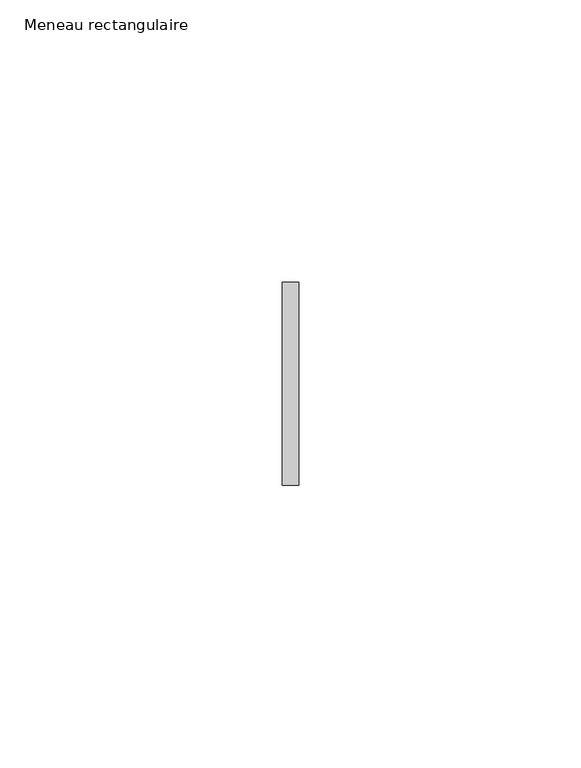
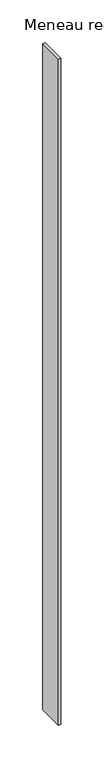
"""IFC4 building model written with IfcOpenShell, lengths in millimetres: member geometry, Meneau rectangulaire."""

from ifc_helpers import new_model, si_unit, frame, origin, place, context, project, spatial, polyline, outline, extrude, source, transform, mapped, element, save


def meneau_rectangulaire_965bd31b(model_context):
    return source(origin(), model_context, "Body", "SweptSolid", [
        extrude(outline(polyline([(-1.5, 18.0), (1.5, 18.0), (1.5, -18.0), (-1.5, -18.0), (-1.5, 18.0)])), frame((0.0, 0.0, -946.5), z_axis=(0.0, 0.0, 1.0), x_axis=(1.0, 0.0, 0.0)), (0.0, 0.0, 1.0), 946.5),
    ])


if __name__ == "__main__":
    model = new_model("IFC4")
    model_context = context("Model", 3, world=origin())
    ifc_project = project(units=[si_unit("LENGTHUNIT", "METRE", prefix="MILLI")], contexts=[model_context])
    site = spatial("IfcSite", under=ifc_project)
    building = spatial("IfcBuilding", under=site)
    placement = place(None, origin())
    meneau_rectangulaire_shape = meneau_rectangulaire_965bd31b(model_context)
    element("IfcMember", 1, ObjectType="Meneau rectangulaire", at=placement, inside=building, context=model_context, shape_type="MappedRepresentation", body=[
        mapped(meneau_rectangulaire_shape, transform((0.0, 0.0, 0.0), x_axis=(1.0, 0.0, 0.0), y_axis=(0.0, 1.0, 0.0), z_axis=(0.0, 0.0, 1.0))),
    ])
    save(model, "model.ifc")
